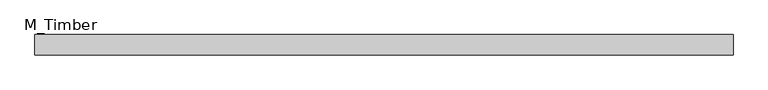
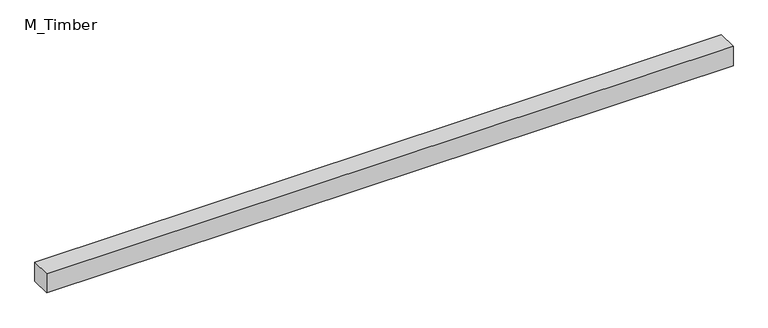
"""IFC4 building model written with IfcOpenShell, lengths in millimetres: beam geometry, M_Timber."""

from ifc_helpers import new_model, si_unit, frame, origin, place, context, project, spatial, polyline, outline, extrude, source, transform, mapped, element, save


def m_timber_849476ae(model_context):
    return source(origin(), model_context, "Body", "SweptSolid", [
        extrude(outline(polyline([(719.2434795, 20.0), (719.2434795, -20.0), (-644.2434795, -20.0), (-644.2434795, 20.0), (719.2434795, 20.0)])), frame((0.0, 0.0, -20.0), z_axis=(0.0, 0.0, 1.0), x_axis=(1.0, 0.0, 0.0)), (0.0, 0.0, 1.0), 40.0),
    ])


if __name__ == "__main__":
    model = new_model("IFC4")
    model_context = context("Model", 3, world=origin())
    ifc_project = project(units=[si_unit("LENGTHUNIT", "METRE", prefix="MILLI")], contexts=[model_context])
    site = spatial("IfcSite", under=ifc_project)
    building = spatial("IfcBuilding", under=site)
    placement = place(None, origin())
    m_timber_shape = m_timber_849476ae(model_context)
    element("IfcBeam", 1, ObjectType="M_Timber", at=placement, inside=building, context=model_context, shape_type="MappedRepresentation", body=[
        mapped(m_timber_shape, transform((0.0, 0.0, 0.0), x_axis=(1.0, 0.0, 0.0), y_axis=(0.0, 1.0, 0.0), z_axis=(0.0, 0.0, 1.0))),
    ])
    save(model, "model.ifc")
